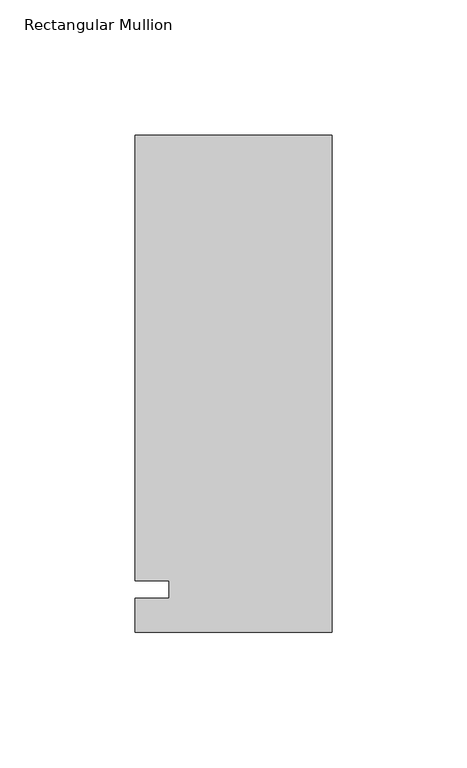
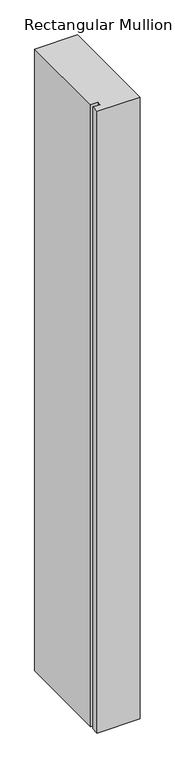
"""IFC4 building model written with IfcOpenShell, lengths in millimetres: member geometry, Rectangular Mullion."""

from ifc_helpers import new_model, si_unit, frame, origin, place, context, project, spatial, polyline, outline, extrude, source, transform, mapped, element, save


def rectangular_mullion_3ae27a74(model_context):
    return source(origin(), model_context, "Body", "SweptSolid", [
        extrude(outline(polyline([(-73.025, 168.275), (0.0, 168.275), (0.0, -15.875), (-73.025, -15.875), (-73.025, -3.175), (-60.325, -3.175), (-60.325, 3.175), (-73.025, 3.175), (-73.025, 168.275)])), frame((0.0, 0.0, -1117.6), z_axis=(0.0, 0.0, 1.0), x_axis=(1.0, 0.0, 0.0)), (0.0, 0.0, 1.0), 1117.6),
    ])


if __name__ == "__main__":
    model = new_model("IFC4")
    model_context = context("Model", 3, world=origin())
    ifc_project = project(units=[si_unit("LENGTHUNIT", "METRE", prefix="MILLI")], contexts=[model_context])
    site = spatial("IfcSite", under=ifc_project)
    building = spatial("IfcBuilding", under=site)
    placement = place(None, origin())
    rectangular_mullion_shape = rectangular_mullion_3ae27a74(model_context)
    element("IfcMember", 1, ObjectType="Rectangular Mullion", at=placement, inside=building, context=model_context, shape_type="MappedRepresentation", body=[
        mapped(rectangular_mullion_shape, transform((0.0, 0.0, 0.0), x_axis=(1.0, 0.0, 0.0), y_axis=(0.0, 1.0, 0.0), z_axis=(0.0, 0.0, 1.0))),
    ])
    save(model, "model.ifc")
